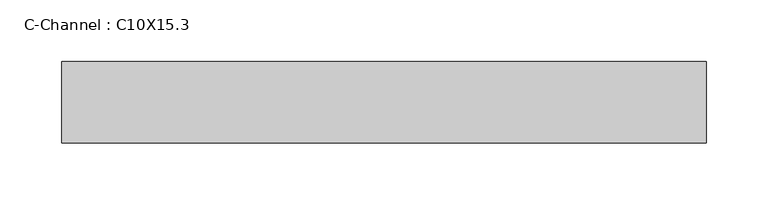
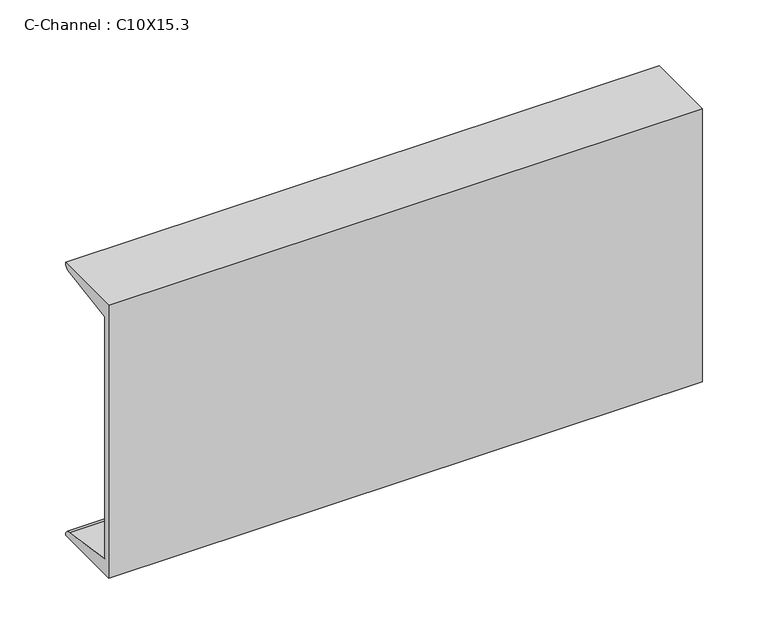
"""IFC4 building model written with IfcOpenShell, lengths in millimetres: beam geometry, C-Channel : C10X15.3."""

from ifc_helpers import new_model, si_unit, point, frame, frame_2d, origin, place, context, project, spatial, polyline, circle_curve, trimmed, segment, composite_curve, outline, extrude, source, transform, mapped, element, save


def c_channel_c10x15_3_59c236b6(model_context):
    return source(origin(), model_context, "Body", "SweptSolid", [
        extrude(outline(composite_curve([segment(polyline([(-14.0716, 127.0), (52.0080875, 127.0)]), True, "CONTINUOUS"), segment(trimmed(circle_curve(frame_2d((45.9557438, 127.0)), 6.0523438), [point((52.0080875, 127.0))], [point((45.9557438, 120.9476562))], False, "CARTESIAN"), True, "CONTINUOUS"), segment(polyline([(45.9557438, 120.9476562), (-8.0192562, 112.3988561), (-8.0192562, -112.3988561), (45.9557438, -120.9476563)]), True, "CONTINUOUS"), segment(trimmed(circle_curve(frame_2d((45.9557438, -127.0)), 6.0523437), [point((45.9557438, -120.9476563))], [point((52.0080875, -127.0))], False, "CARTESIAN"), True, "CONTINUOUS"), segment(polyline([(52.0080875, -127.0), (-14.0716, -127.0), (-14.0716, 127.0)]), True, "CONTINUOUS")], self_intersect=False)), frame((-261.0941406, 0.0, 0.0), z_axis=(1.0, 0.0, 0.0), x_axis=(0.0, 1.0, 0.0)), (0.0, 0.0, 1.0), 522.1882812),
    ])


if __name__ == "__main__":
    model = new_model("IFC4")
    model_context = context("Model", 3, world=origin())
    ifc_project = project(units=[si_unit("LENGTHUNIT", "METRE", prefix="MILLI")], contexts=[model_context])
    site = spatial("IfcSite", under=ifc_project)
    building = spatial("IfcBuilding", under=site)
    placement = place(None, origin())
    c_channel_c10x15_3_shape = c_channel_c10x15_3_59c236b6(model_context)
    element("IfcBeam", 1, ObjectType="C-Channel : C10X15.3", at=placement, inside=building, context=model_context, shape_type="MappedRepresentation", body=[
        mapped(c_channel_c10x15_3_shape, transform((0.0, 0.0, 0.0), x_axis=(1.0, 0.0, 0.0), y_axis=(0.0, 1.0, 0.0), z_axis=(0.0, 0.0, 1.0))),
    ])
    save(model, "model.ifc")
